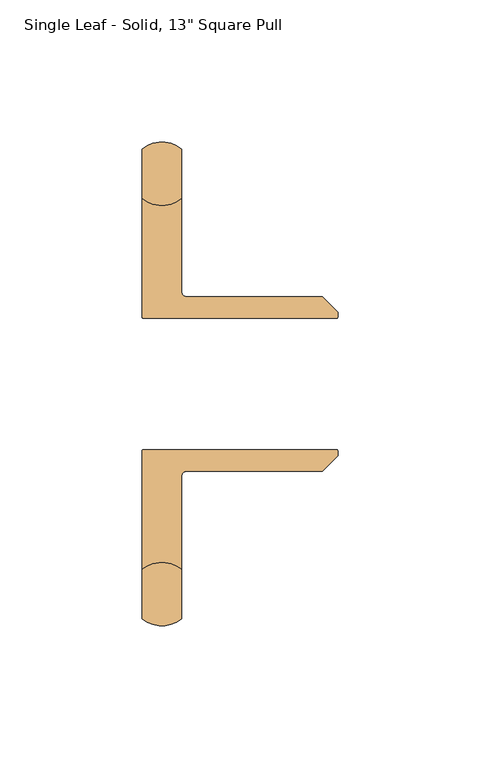
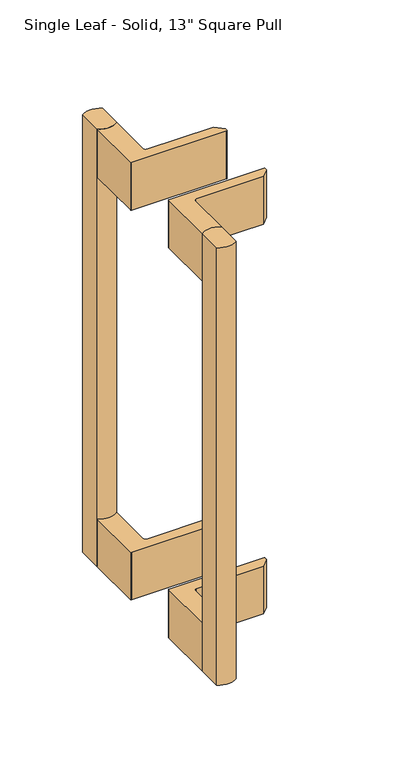
"""IFC4 building model written with IfcOpenShell, lengths in millimetres: door geometry."""

from ifc_helpers import new_model, si_unit, point, frame, frame_2d, origin, place, context, project, spatial, polyline, circle_curve, trimmed, segment, composite_curve, outline, extrude, source, transform, mapped, element, save


def door_0212ec1c(model_context):
    return source(origin(), model_context, "Body", "SweptSolid", [
        extrude(outline(composite_curve([segment(polyline([(-50.9125001, -81.8928536), (-50.9125001, -64.5351464)]), True, "CONTINUOUS"), segment(trimmed(circle_curve(frame_2d((-43.9125001, -73.214)), 11.15), [point((-50.9125001, -64.5351464))], [point((-36.9125001, -64.5351464))], False, "CARTESIAN"), True, "CONTINUOUS"), segment(polyline([(-36.9125001, -64.5351464), (-36.9125001, -81.8928536)]), True, "CONTINUOUS"), segment(trimmed(circle_curve(frame_2d((-43.9125001, -73.214)), 11.15), [point((-36.9125001, -81.8928536))], [point((-50.9125001, -81.8928536))], False, "CARTESIAN"), True, "CONTINUOUS")], self_intersect=False)), frame((0.0, 0.0, -108.492), z_axis=(0.0, 0.0, 1.0), x_axis=(1.0, 0.0, 0.0)), (0.0, 0.0, 1.0), 329.9968),
        extrude(outline(composite_curve([segment(trimmed(circle_curve(frame_2d((-43.9125001, 74.614)), 11.15), [point((-50.9125001, 83.2928536))], [point((-36.9125001, 83.2928536))], False, "CARTESIAN"), True, "CONTINUOUS"), segment(polyline([(-36.9125001, 83.2928536), (-36.9125001, 65.9351464)]), True, "CONTINUOUS"), segment(trimmed(circle_curve(frame_2d((-43.9125001, 74.614)), 11.15), [point((-36.9125001, 65.9351464))], [point((-50.9125001, 65.9351464))], False, "CARTESIAN"), True, "CONTINUOUS"), segment(polyline([(-50.9125001, 65.9351464), (-50.9125001, 83.2928536)]), True, "CONTINUOUS")], self_intersect=False)), frame((0.0, 0.0, -108.492), z_axis=(0.0, 0.0, 1.0), x_axis=(1.0, 0.0, 0.0)), (0.0, 0.0, 1.0), 329.9968),
        extrude(outline(composite_curve([segment(polyline([(-50.9125001, -64.5351464), (-50.9125001, -22.914)]), True, "CONTINUOUS"), segment(trimmed(circle_curve(frame_2d((-50.4125001, -22.914)), 0.5), [point((-50.9125001, -22.914))], [point((-50.4125001, -22.414))], False, "CARTESIAN"), True, "CONTINUOUS"), segment(polyline([(-50.4125001, -22.414), (17.5, -22.414)]), True, "CONTINUOUS"), segment(trimmed(circle_curve(frame_2d((17.5, -22.914)), 0.5), [point((17.5, -22.414))], [point((18.0, -22.914))], False, "CARTESIAN"), True, "CONTINUOUS"), segment(polyline([(18.0, -22.914), (18.0, -24.5652102), (12.5392102, -30.026), (-35.4125001, -30.026)]), True, "CONTINUOUS"), segment(trimmed(circle_curve(frame_2d((-35.4125001, -31.526)), 1.5), [point((-35.4125001, -30.026))], [point((-36.9125001, -31.526))], True, "CARTESIAN"), True, "CONTINUOUS"), segment(polyline([(-36.9125001, -31.526), (-36.9125001, -64.5351464)]), True, "CONTINUOUS"), segment(trimmed(circle_curve(frame_2d((-43.9125001, -73.214)), 11.15), [point((-36.9125001, -64.5351464))], [point((-50.9125001, -64.5351464))], True, "CARTESIAN"), True, "CONTINUOUS")], self_intersect=False)), frame((0.0, 0.0, 185.5048), z_axis=(0.0, 0.0, 1.0), x_axis=(1.0, 0.0, 0.0)), (0.0, 0.0, 1.0), 36.0),
        extrude(outline(composite_curve([segment(polyline([(-50.9125001, 24.314), (-50.9125001, 65.9351464)]), True, "CONTINUOUS"), segment(trimmed(circle_curve(frame_2d((-43.9125001, 74.614)), 11.15), [point((-50.9125001, 65.9351464))], [point((-36.9125001, 65.9351464))], True, "CARTESIAN"), True, "CONTINUOUS"), segment(polyline([(-36.9125001, 65.9351464), (-36.9125001, 32.926)]), True, "CONTINUOUS"), segment(trimmed(circle_curve(frame_2d((-35.4125001, 32.926)), 1.5), [point((-36.9125001, 32.926))], [point((-35.4125001, 31.426))], True, "CARTESIAN"), True, "CONTINUOUS"), segment(polyline([(-35.4125001, 31.426), (12.5392102, 31.426), (18.0, 25.9652102), (18.0, 24.314)]), True, "CONTINUOUS"), segment(trimmed(circle_curve(frame_2d((17.5, 24.314)), 0.5), [point((18.0, 24.314))], [point((17.5, 23.814))], False, "CARTESIAN"), True, "CONTINUOUS"), segment(polyline([(17.5, 23.814), (-50.4125001, 23.814)]), True, "CONTINUOUS"), segment(trimmed(circle_curve(frame_2d((-50.4125001, 24.314)), 0.5), [point((-50.4125001, 23.814))], [point((-50.9125001, 24.314))], False, "CARTESIAN"), True, "CONTINUOUS")], self_intersect=False)), frame((0.0, 0.0, 185.5048), z_axis=(0.0, 0.0, 1.0), x_axis=(1.0, 0.0, 0.0)), (0.0, 0.0, 1.0), 36.0),
        extrude(outline(composite_curve([segment(trimmed(circle_curve(frame_2d((-50.4125001, -22.914)), 0.5), [point((-50.9125001, -22.914))], [point((-50.4125001, -22.414))], False, "CARTESIAN"), True, "CONTINUOUS"), segment(polyline([(-50.4125001, -22.414), (17.5, -22.414)]), True, "CONTINUOUS"), segment(trimmed(circle_curve(frame_2d((17.5, -22.914)), 0.5), [point((17.5, -22.414))], [point((18.0, -22.914))], False, "CARTESIAN"), True, "CONTINUOUS"), segment(polyline([(18.0, -22.914), (18.0, -24.5652102), (12.5392102, -30.026), (-35.4125001, -30.026)]), True, "CONTINUOUS"), segment(trimmed(circle_curve(frame_2d((-35.4125001, -31.526)), 1.5), [point((-35.4125001, -30.026))], [point((-36.9125001, -31.526))], True, "CARTESIAN"), True, "CONTINUOUS"), segment(polyline([(-36.9125001, -31.526), (-36.9125001, -64.5351464)]), True, "CONTINUOUS"), segment(trimmed(circle_curve(frame_2d((-43.9125001, -73.214)), 11.15), [point((-36.9125001, -64.5351464))], [point((-50.9125001, -64.5351464))], True, "CARTESIAN"), True, "CONTINUOUS"), segment(polyline([(-50.9125001, -64.5351464), (-50.9125001, -22.914)]), True, "CONTINUOUS")], self_intersect=False)), frame((0.0, 0.0, -108.492), z_axis=(0.0, 0.0, 1.0), x_axis=(1.0, 0.0, 0.0)), (0.0, 0.0, 1.0), 36.0),
        extrude(outline(composite_curve([segment(polyline([(17.5, 23.814), (-50.4125001, 23.814)]), True, "CONTINUOUS"), segment(trimmed(circle_curve(frame_2d((-50.4125001, 24.314)), 0.5), [point((-50.4125001, 23.814))], [point((-50.9125001, 24.314))], False, "CARTESIAN"), True, "CONTINUOUS"), segment(polyline([(-50.9125001, 24.314), (-50.9125001, 65.9351464)]), True, "CONTINUOUS"), segment(trimmed(circle_curve(frame_2d((-43.9125001, 74.614)), 11.15), [point((-50.9125001, 65.9351464))], [point((-36.9125001, 65.9351464))], True, "CARTESIAN"), True, "CONTINUOUS"), segment(polyline([(-36.9125001, 65.9351464), (-36.9125001, 32.926)]), True, "CONTINUOUS"), segment(trimmed(circle_curve(frame_2d((-35.4125001, 32.926)), 1.5), [point((-36.9125001, 32.926))], [point((-35.4125001, 31.426))], True, "CARTESIAN"), True, "CONTINUOUS"), segment(polyline([(-35.4125001, 31.426), (12.5392102, 31.426), (18.0, 25.9652102), (18.0, 24.314)]), True, "CONTINUOUS"), segment(trimmed(circle_curve(frame_2d((17.5, 24.314)), 0.5), [point((18.0, 24.314))], [point((17.5, 23.814))], False, "CARTESIAN"), True, "CONTINUOUS")], self_intersect=False)), frame((0.0, 0.0, -108.492), z_axis=(0.0, 0.0, 1.0), x_axis=(1.0, 0.0, 0.0)), (0.0, 0.0, 1.0), 36.0),
    ])


if __name__ == "__main__":
    model = new_model("IFC4")
    model_context = context("Model", 3, world=origin())
    ifc_project = project(units=[si_unit("LENGTHUNIT", "METRE", prefix="MILLI")], contexts=[model_context])
    site = spatial("IfcSite", under=ifc_project)
    building = spatial("IfcBuilding", under=site)
    placement = place(None, origin())
    door_shape = door_0212ec1c(model_context)
    element("IfcDoor", 1, ObjectType="Single Leaf - Solid, 13\" Square Pull", at=placement, inside=building, context=model_context, shape_type="MappedRepresentation", body=[
        mapped(door_shape, transform((0.0, 0.0, 0.0), x_axis=(1.0, 0.0, 0.0), y_axis=(0.0, 1.0, 0.0), z_axis=(0.0, 0.0, 1.0))),
    ])
    save(model, "model.ifc")
